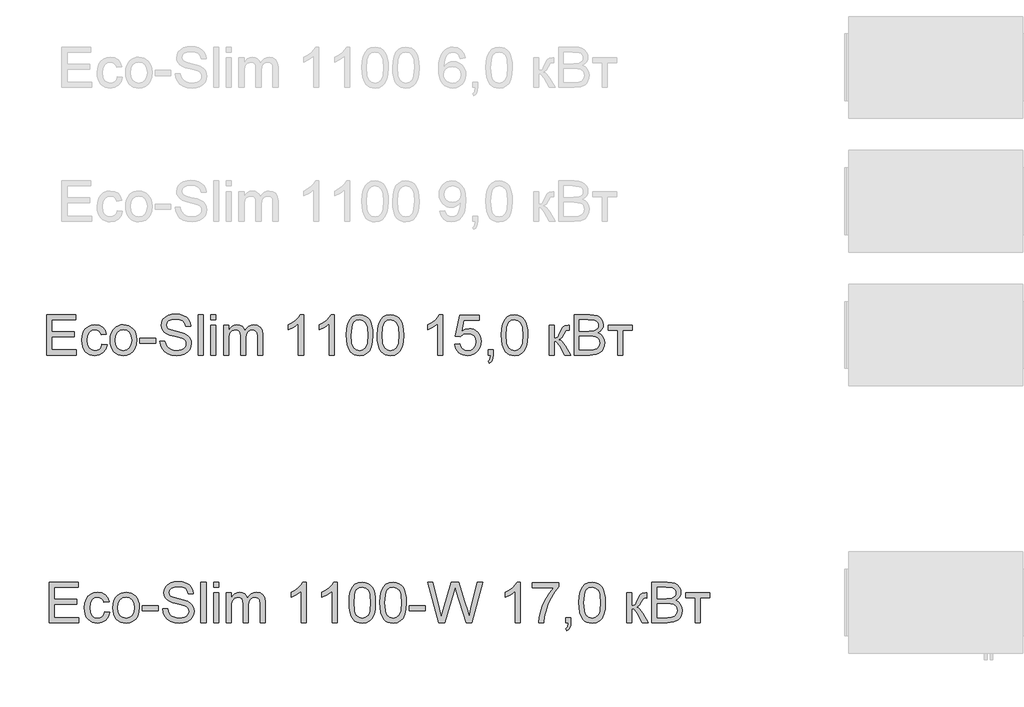
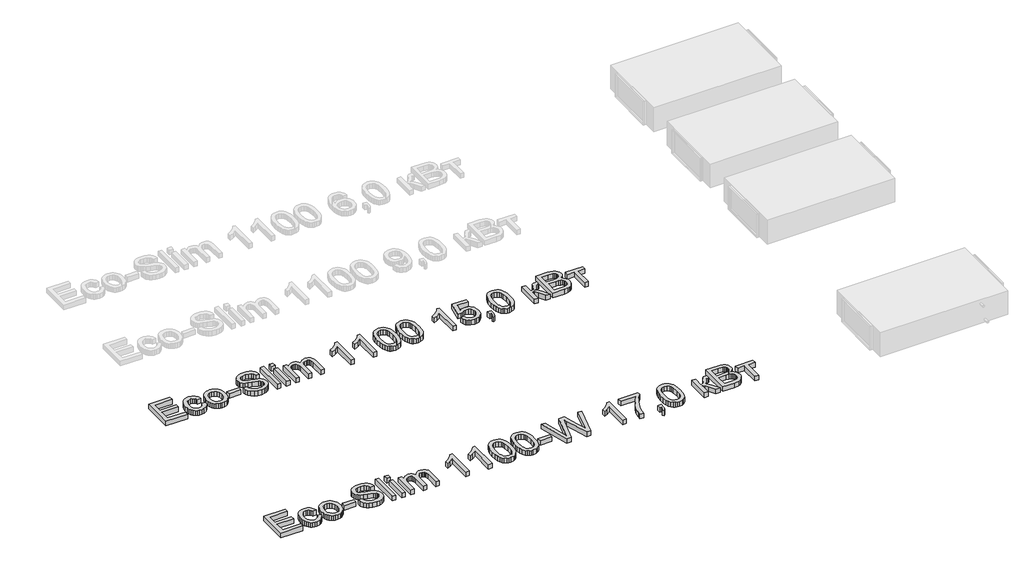
# One storey, part 37 of 74: 2 proxies.
"""IFC4 building model written with IfcOpenShell, lengths in millimetres."""

from ifc_helpers import new_model, si_unit, origin, origin_with_axes, place, context, project, spatial, polyline, outline, extrude, element, save

model = new_model("IFC4")

# Units and contexts
model_context = context("Model", 3, world=origin())
ifc_project = project(units=[si_unit("LENGTHUNIT", "METRE", prefix="MILLI")], contexts=[model_context])

# Site, building, storey
site = spatial("IfcSite", under=ifc_project)
building = spatial("IfcBuilding", under=site)
storey = spatial("IfcBuildingStorey", under=building, Elevation=0.0)

# Proxies
placement = place(None, origin())
element("IfcBuildingElementProxy", 1, Name="Generic Models", at=placement, inside=storey, context=model_context, shape_type="SweptSolid", body=[
    extrude(outline(polyline([(22812.9513996, -12906.2904473), (22812.9513996, -12604.9215169), (23029.5603183, -12604.9215169), (23029.5603183, -12642.5926332), (22850.6225159, -12642.5926332), (22850.6225159, -12732.0615344), (23020.1425392, -12732.0615344), (23020.1425392, -12769.7326507), (22850.6225159, -12769.7326507), (22850.6225159, -12868.619331), (23034.2692079, -12868.619331), (23034.2692079, -12906.2904473), (22812.9513996, -12906.2904473)])), origin_with_axes(), (0.0, 0.0, 1.0), 50.0),
    extrude(outline(polyline([(23227.3336789, -12826.2393252), (23265.0047952, -12830.9482147), (23254.5017643, -12864.4530674), (23234.7648952, -12889.7725458), (23207.6519922, -12905.6926391), (23175.0208592, -12910.9993369), (23153.8929364, -12909.1484306), (23134.9493129, -12903.5957117), (23118.1899887, -12894.3411803), (23103.6149639, -12881.3848363), (23091.8174482, -12864.9704015), (23083.3906513, -12845.3415978), (23078.3345731, -12822.4984252), (23076.6492137, -12796.4408836), (23079.5278903, -12762.9176368), (23088.1639201, -12733.8641562), (23102.695259, -12710.402482), (23123.2598625, -12693.6546541), (23147.8619709, -12683.6114757), (23174.5058244, -12680.2637495), (23206.336814, -12684.8622744), (23231.7850511, -12698.6578493), (23250.0411951, -12720.91471), (23260.2959057, -12750.8970926), (23222.6247894, -12755.6059821), (23215.7913813, -12739.170854), (23205.1503946, -12727.3894331), (23191.2904404, -12720.2985076), (23174.80013, -12717.9348658), (23150.455539, -12722.588573), (23131.1325372, -12736.5496948), (23118.5233818, -12760.5723891), (23114.32033, -12795.410814), (23118.4314113, -12830.7182885), (23130.7646552, -12854.8237562), (23149.7381691, -12868.7021045), (23173.7700604, -12873.3282206), (23193.2770032, -12870.4403469), (23209.270673, -12861.7767259), (23220.9049411, -12847.1166284), (23227.3336789, -12826.2393252)])), origin_with_axes(), (0.0, 0.0, 1.0), 50.0),
    extrude(outline(polyline([(23288.5492429, -12795.6315432), (23290.5863895, -12766.9689372), (23296.6978291, -12742.2702598), (23306.8835619, -12721.5355108), (23321.1435877, -12704.7646904), (23335.5001826, -12694.0455287), (23351.3466995, -12686.3889847), (23368.6831385, -12681.7950583), (23387.5094996, -12680.2637495), (23408.2925331, -12682.1284514), (23427.0844053, -12687.722557), (23443.8851161, -12697.0460663), (23458.6946657, -12710.0989793), (23470.7818885, -12726.4398377), (23479.4156191, -12745.627183), (23484.5958574, -12767.6610152), (23486.3226035, -12792.5413344), (23483.269183, -12830.5987268), (23474.1089213, -12859.569434), (23459.1085329, -12881.2652746), (23438.5347324, -12897.4980677), (23414.0981708, -12907.6240196), (23387.5094996, -12910.9993369), (23366.4229635, -12909.1415328), (23347.4563474, -12903.5681206), (23330.6096513, -12894.2791002), (23315.8828752, -12881.2744717), (23303.9244111, -12864.7749642), (23295.382651, -12845.0013069), (23290.2575949, -12821.9534999), (23288.5492429, -12795.6315432)]), holes=[polyline([(23326.2203592, -12795.5579668), (23330.5797609, -12829.6514307), (23343.6579658, -12853.9408394), (23363.3396525, -12868.4813753), (23387.5094996, -12873.3282206), (23411.5689821, -12868.4537841), (23431.2138806, -12853.8304748), (23444.2920856, -12829.2191694), (23448.6514872, -12794.3807444), (23444.2644944, -12761.2805619), (23431.1035161, -12737.322247), (23411.4310264, -12722.7817111), (23387.5094996, -12717.9348658), (23363.3396525, -12722.763317), (23343.6579658, -12737.2486706), (23330.5797609, -12761.482897), (23326.2203592, -12795.5579668)])]), origin_with_axes(), (0.0, 0.0, 1.0), 50.0),
    extrude(outline(polyline([(23509.8670512, -12816.8215461), (23509.8670512, -12779.1504298), (23627.5892897, -12779.1504298), (23627.5892897, -12816.8215461), (23509.8670512, -12816.8215461)])), origin_with_axes(), (0.0, 0.0, 1.0), 50.0),
    extrude(outline(polyline([(23660.5515164, -12802.6948775), (23698.2226327, -12802.6948775), (23702.5452462, -12823.5997719), (23710.3627386, -12840.402782), (23722.5580267, -12853.7385043), (23740.0140274, -12864.2415353), (23761.3511831, -12871.0565493), (23785.1899364, -12873.3282206), (23806.1776042, -12871.6083722), (23824.5533099, -12866.4488273), (23839.4433336, -12858.281847), (23849.9739558, -12847.5396927), (23856.2371467, -12835.2064488), (23858.324877, -12822.2661996), (23856.7613786, -12809.6570443), (23852.0708831, -12798.7585402), (23842.5427395, -12789.4603227), (23826.4662963, -12781.6520274), (23771.6150908, -12767.2678414), (23735.6086405, -12757.7488947), (23712.5700306, -12748.6898006), (23693.8172459, -12736.0162659), (23680.5275088, -12720.6571926), (23672.6088488, -12702.9436745), (23669.9692955, -12683.2068055), (23673.2342482, -12661.1430828), (23683.0291063, -12640.5692822), (23699.0963525, -12623.1316757), (23721.1784692, -12610.476535), (23747.684367, -12602.7786043), (23777.0229561, -12600.2126274), (23808.8079605, -12602.8981659), (23836.6198393, -12610.9547816), (23859.4653112, -12624.2169275), (23876.3510948, -12642.5190568), (23887.0380668, -12664.7207352), (23891.2871038, -12689.6815286), (23853.6159875, -12689.6815286), (23846.699806, -12667.2039387), (23832.2788318, -12650.9803427), (23809.7460596, -12641.1578934), (23778.4944841, -12637.8837437), (23746.5071446, -12641.1211052), (23724.5629836, -12650.8331899), (23711.8710548, -12665.1254054), (23707.6404118, -12682.1031595), (23710.6386501, -12696.579316), (23719.6333649, -12708.2227811), (23740.8969442, -12718.6338416), (23781.1432345, -12729.2656313), (23822.6771117, -12739.363992), (23847.803452, -12748.1747658), (23869.2785635, -12761.8415819), (23884.2605577, -12778.7089714), (23893.0621344, -12798.5929933), (23895.9959934, -12821.3097065), (23892.620676, -12844.5322574), (23882.4947241, -12866.3752509), (23866.0320048, -12885.1740208), (23843.6463854, -12899.2639012), (23816.7266204, -12908.065478), (23786.6614644, -12910.9993369), (23749.7537032, -12907.8355517), (23719.3758475, -12898.3441962), (23695.1784092, -12882.4884823), (23676.8119006, -12860.2316215), (23665.0212827, -12833.1187185), (23660.5515164, -12802.6948775)])), origin_with_axes(), (0.0, 0.0, 1.0), 50.0),
    extrude(outline(polyline([(23947.7937783, -12906.2904473), (23947.7937783, -12604.9215169), (23985.4648946, -12604.9215169), (23985.4648946, -12906.2904473), (23947.7937783, -12906.2904473)])), origin_with_axes(), (0.0, 0.0, 1.0), 50.0),
    extrude(outline(polyline([(24041.971569, -12642.5926332), (24041.971569, -12604.9215169), (24079.6426853, -12604.9215169), (24079.6426853, -12642.5926332), (24041.971569, -12642.5926332)])), origin_with_axes(), (0.0, 0.0, 1.0), 50.0),
    extrude(outline(polyline([(24041.971569, -12906.2904473), (24041.971569, -12684.972639), (24079.6426853, -12684.972639), (24079.6426853, -12906.2904473), (24041.971569, -12906.2904473)])), origin_with_axes(), (0.0, 0.0, 1.0), 50.0),
    extrude(outline(polyline([(24136.1493598, -12906.2904473), (24136.1493598, -12684.972639), (24173.8204761, -12684.972639), (24173.8204761, -12721.3929566), (24185.1512416, -12704.6635228), (24199.7193686, -12691.5577268), (24217.0282164, -12683.0872438), (24236.5811445, -12680.2637495), (24257.5320241, -12683.1424261), (24274.3258372, -12691.778456), (24286.8706132, -12705.6016219), (24295.0743817, -12724.0417069), (24308.8055772, -12704.8888506), (24324.4681531, -12691.2082389), (24342.0621096, -12682.9998718), (24361.5874465, -12680.2637495), (24389.905163, -12684.8162892), (24410.8468456, -12698.4739083), (24423.7870948, -12721.6044887), (24428.1005112, -12754.5759125), (24428.1005112, -12906.2904473), (24390.4293949, -12906.2904473), (24390.4293949, -12770.7627203), (24386.9345159, -12739.3088097), (24382.0232913, -12730.6359917), (24374.2793753, -12723.8209777), (24364.3189703, -12719.4063938), (24352.7582786, -12717.9348658), (24332.3500249, -12721.7056563), (24315.7125617, -12733.0180276), (24304.6485106, -12752.6445321), (24300.9604936, -12781.3577218), (24300.9604936, -12906.2904473), (24263.2893773, -12906.2904473), (24263.2893773, -12766.5688656), (24261.1096765, -12745.2684981), (24254.5705741, -12730.0749717), (24243.0650647, -12720.9698923), (24225.986143, -12717.9348658), (24211.4731983, -12719.9582168), (24198.1006878, -12726.0282697), (24187.0642279, -12735.9978718), (24179.5594352, -12749.7198702), (24175.2552159, -12768.7577634), (24173.8204761, -12794.67505), (24173.8204761, -12906.2904473), (24136.1493598, -12906.2904473)])), origin_with_axes(), (0.0, 0.0, 1.0), 50.0),
    extrude(outline(polyline([(24734.1783312, -12906.2904473), (24696.5072149, -12906.2904473), (24696.5072149, -12671.4345816), (24660.8226613, -12696.8552275), (24621.1649822, -12715.8747266), (24621.1649822, -12680.2637495), (24650.7518917, -12664.1689122), (24676.3840697, -12645.0206544), (24696.5899883, -12624.6583859), (24709.8981195, -12604.9215169), (24734.1783312, -12604.9215169), (24734.1783312, -12906.2904473)])), origin_with_axes(), (0.0, 0.0, 1.0), 50.0),
    extrude(outline(polyline([(24964.9139185, -12906.2904473), (24927.2428022, -12906.2904473), (24927.2428022, -12671.4345816), (24891.5582487, -12696.8552275), (24851.9005696, -12715.8747266), (24851.9005696, -12680.2637495), (24881.4874791, -12664.1689122), (24907.1196571, -12645.0206544), (24927.3255757, -12624.6583859), (24940.6337069, -12604.9215169), (24964.9139185, -12604.9215169), (24964.9139185, -12906.2904473)])), origin_with_axes(), (0.0, 0.0, 1.0), 50.0),
    extrude(outline(polyline([(25054.3828198, -12758.0340033), (25057.1511318, -12709.7954767), (25065.4560678, -12671.324217), (25079.2148544, -12642.0316132), (25098.3447182, -12621.3290539), (25122.9836148, -12609.0234011), (25153.2695001, -12604.9215169), (25176.482854, -12607.3495381), (25197.2681867, -12614.6336016), (25214.650611, -12626.4885989), (25227.6552395, -12642.6294214), (25237.4776888, -12662.9181134), (25245.3135753, -12687.2167192), (25250.4455291, -12718.0728216), (25252.1561804, -12758.0340033), (25249.4154595, -12805.9966184), (25241.1932969, -12844.3759076), (25227.5172837, -12873.6961026), (25208.4150111, -12894.4814353), (25183.7209322, -12906.8698615), (25153.2695001, -12910.9993369), (25132.5209555, -12909.2059122), (25114.1268558, -12903.825638), (25098.0872008, -12894.8585143), (25084.4019906, -12882.3045413), (25071.2686033, -12859.6108207), (25061.8876125, -12831.3344908), (25056.2590179, -12797.4755517), (25054.3828198, -12758.0340033)]), holes=[polyline([(25092.0539361, -12757.9604269), (25096.46852, -12817.2170193), (25101.9867499, -12837.4850179), (25109.7122718, -12851.5128183), (25129.4307468, -12867.87437), (25153.2695001, -12873.3282206), (25177.1082534, -12867.8559759), (25196.8267283, -12851.4392419), (25204.5522502, -12837.3884489), (25210.0704801, -12817.1250488), (25214.4850641, -12757.9604269), (25210.2176329, -12700.0374067), (25204.883344, -12679.8360867), (25197.4153395, -12665.4748933), (25177.7336528, -12648.3131982), (25152.8280417, -12642.5926332), (25129.2468058, -12647.6326165), (25110.300883, -12662.7525665), (25102.3178437, -12678.3875513), (25096.6156728, -12699.4671897), (25092.0539361, -12757.9604269)])]), origin_with_axes(), (0.0, 0.0, 1.0), 50.0),
    extrude(outline(polyline([(25285.1184071, -12758.0340033), (25287.8867192, -12709.7954767), (25296.1916552, -12671.324217), (25309.9504418, -12642.0316132), (25329.0803056, -12621.3290539), (25353.7192022, -12609.0234011), (25384.0050874, -12604.9215169), (25407.2184413, -12607.3495381), (25428.0037741, -12614.6336016), (25445.3861983, -12626.4885989), (25458.3908269, -12642.6294214), (25468.2132761, -12662.9181134), (25476.0491626, -12687.2167192), (25481.1811165, -12718.0728216), (25482.8917678, -12758.0340033), (25480.1510469, -12805.9966184), (25471.9288843, -12844.3759076), (25458.2528711, -12873.6961026), (25439.1505985, -12894.4814353), (25414.4565196, -12906.8698615), (25384.0050874, -12910.9993369), (25363.2565429, -12909.2059122), (25344.8624432, -12903.825638), (25328.8227882, -12894.8585143), (25315.1375779, -12882.3045413), (25302.0041907, -12859.6108207), (25292.6231998, -12831.3344908), (25286.9946053, -12797.4755517), (25285.1184071, -12758.0340033)]), holes=[polyline([(25322.7895234, -12757.9604269), (25327.2041074, -12817.2170193), (25332.7223373, -12837.4850179), (25340.4478592, -12851.5128183), (25360.1663342, -12867.87437), (25384.0050874, -12873.3282206), (25407.8438407, -12867.8559759), (25427.5623157, -12851.4392419), (25435.2878376, -12837.3884489), (25440.8060675, -12817.1250488), (25445.2206514, -12757.9604269), (25440.9532203, -12700.0374067), (25435.6189314, -12679.8360867), (25428.1509269, -12665.4748933), (25408.4692401, -12648.3131982), (25383.5636291, -12642.5926332), (25359.9823932, -12647.6326165), (25341.0364704, -12662.7525665), (25333.0534311, -12678.3875513), (25327.3512602, -12699.4671897), (25322.7895234, -12757.9604269)])]), origin_with_axes(), (0.0, 0.0, 1.0), 50.0),
    extrude(outline(polyline([(25774.8429191, -12906.2904473), (25737.1718028, -12906.2904473), (25737.1718028, -12671.4345816), (25701.4872493, -12696.8552275), (25661.8295702, -12715.8747266), (25661.8295702, -12680.2637495), (25691.4164797, -12664.1689122), (25717.0486577, -12645.0206544), (25737.2545763, -12624.6583859), (25750.5627074, -12604.9215169), (25774.8429191, -12604.9215169), (25774.8429191, -12906.2904473)])), origin_with_axes(), (0.0, 0.0, 1.0), 50.0),
    extrude(outline(polyline([(25864.3118203, -12826.2393252), (25901.9829367, -12821.5304357), (25908.8991182, -12844.1459813), (25920.9656476, -12860.3419861), (25938.1273427, -12870.081662), (25960.3290211, -12873.3282206), (25987.3315595, -12868.8124691), (26007.5650693, -12855.2652146), (26020.2018158, -12834.2499556), (26024.4140647, -12807.3301906), (26020.4685303, -12781.9831212), (26008.6319271, -12762.59574), (25988.8122846, -12750.2900873), (25960.9176323, -12746.188203), (25942.6430942, -12747.8252779), (25927.8450409, -12752.7365026), (25906.6918262, -12769.7326507), (25869.0207099, -12765.0237612), (25901.9829367, -12609.6304064), (26047.9585123, -12609.6304064), (26047.9585123, -12647.3015227), (25932.4435659, -12647.3015227), (25916.3303345, -12730.2957008), (25943.2409024, -12713.9617403), (25971.4390573, -12708.5170867), (25989.7848726, -12710.2047454), (26006.6361672, -12715.2677213), (26021.9929413, -12723.7060146), (26035.8551947, -12735.5196252), (26047.3308137, -12749.9865846), (26055.5276844, -12766.3849246), (26060.4458068, -12784.714645), (26062.085181, -12804.9757459), (26056.1806749, -12842.6468622), (26048.8000424, -12859.4406753), (26038.4671569, -12874.873325), (26022.813778, -12890.6784552), (26004.5484369, -12901.9678339), (25983.6711337, -12908.7414611), (25960.1818683, -12910.9993369), (25923.1821366, -12905.1959984), (25907.5034658, -12897.9418253), (25893.7055918, -12887.785983), (25882.2253743, -12875.2343092), (25873.4996732, -12860.7926416), (25864.3118203, -12826.2393252)])), origin_with_axes(), (0.0, 0.0, 1.0), 50.0),
    extrude(outline(polyline([(26113.8829659, -12906.2904473), (26113.8829659, -12868.619331), (26151.5540822, -12868.619331), (26151.5540822, -12906.2904473), (26149.861825, -12927.8391352), (26144.7850535, -12944.8076922), (26136.029462, -12957.8215178), (26123.300745, -12967.5060113), (26113.8829659, -12953.3793427), (26122.0499462, -12946.5551317), (26127.7153289, -12937.1189585), (26132.6449476, -12906.2904473), (26113.8829659, -12906.2904473)])), origin_with_axes(), (0.0, 0.0, 1.0), 50.0),
    extrude(outline(polyline([(26212.7696462, -12758.0340033), (26215.5379582, -12709.7954767), (26223.8428942, -12671.324217), (26237.6016809, -12642.0316132), (26256.7315446, -12621.3290539), (26281.3704412, -12609.0234011), (26311.6563265, -12604.9215169), (26334.8696804, -12607.3495381), (26355.6550131, -12614.6336016), (26373.0374374, -12626.4885989), (26386.0420659, -12642.6294214), (26395.8645152, -12662.9181134), (26403.7004017, -12687.2167192), (26408.8323555, -12718.0728216), (26410.5430068, -12758.0340033), (26407.8022859, -12805.9966184), (26399.5801233, -12844.3759076), (26385.9041102, -12873.6961026), (26366.8018376, -12894.4814353), (26342.1077586, -12906.8698615), (26311.6563265, -12910.9993369), (26290.907782, -12909.2059122), (26272.5136822, -12903.825638), (26256.4740272, -12894.8585143), (26242.788817, -12882.3045413), (26229.6554298, -12859.6108207), (26220.2744389, -12831.3344908), (26214.6458444, -12797.4755517), (26212.7696462, -12758.0340033)]), holes=[polyline([(26250.4407625, -12757.9604269), (26254.8553464, -12817.2170193), (26260.3735764, -12837.4850179), (26268.0990983, -12851.5128183), (26287.8175732, -12867.87437), (26311.6563265, -12873.3282206), (26335.4950798, -12867.8559759), (26355.2135547, -12851.4392419), (26362.9390766, -12837.3884489), (26368.4573065, -12817.1250488), (26372.8718905, -12757.9604269), (26368.6044593, -12700.0374067), (26363.2701704, -12679.8360867), (26355.8021659, -12665.4748933), (26336.1204792, -12648.3131982), (26311.2148681, -12642.5926332), (26287.6336322, -12647.6326165), (26268.6877094, -12662.7525665), (26260.7046702, -12678.3875513), (26255.0024992, -12699.4671897), (26250.4407625, -12757.9604269)])]), origin_with_axes(), (0.0, 0.0, 1.0), 50.0),
    extrude(outline(polyline([(26570.6452511, -12684.972639), (26608.3163674, -12684.972639), (26608.3163674, -12779.1504298), (26623.6386525, -12777.4581726), (26633.5530723, -12772.3814011), (26642.3270578, -12759.1376493), (26654.2280404, -12732.9444512), (26671.4081296, -12698.9153667), (26686.5648678, -12687.8421186), (26714.1192292, -12684.972639), (26721.3297163, -12684.972639), (26721.3297163, -12722.8644845), (26711.1761732, -12722.6437553), (26692.7820735, -12726.6168809), (26679.8326273, -12751.4121274), (26664.6391009, -12778.2307248), (26643.3387333, -12791.364112), (26655.2765041, -12796.6662113), (26667.1039102, -12806.0242096), (26690.4276287, -12836.907903), (26730.7474954, -12906.2904473), (26687.9260312, -12906.2904473), (26648.4155049, -12838.379431), (26628.5498771, -12809.6478472), (26619.2608568, -12804.4331199), (26608.3163674, -12802.6948775), (26608.3163674, -12906.2904473), (26570.6452511, -12906.2904473), (26570.6452511, -12684.972639)])), origin_with_axes(), (0.0, 0.0, 1.0), 50.0),
    extrude(outline(polyline([(26759.0008326, -12906.2904473), (26759.0008326, -12604.9215169), (26874.0007443, -12604.9215169), (26905.6293988, -12607.1380059), (26930.3234778, -12613.787473), (26949.2510064, -12625.035465), (26963.5800101, -12641.0475288), (26972.6023161, -12659.883087), (26975.6097514, -12679.6015619), (26973.0805627, -12697.7473413), (26965.4929965, -12714.8078689), (26952.7918706, -12729.7346808), (26934.9220027, -12741.4793135), (26956.2683555, -12752.626138), (26972.041296, -12769.5854979), (26981.7809718, -12791.2353533), (26985.0275305, -12816.4536641), (26982.8110414, -12837.4689231), (26976.1615744, -12856.9574718), (26966.2379576, -12873.5305557), (26954.1990193, -12885.7994202), (26939.4561483, -12894.6837704), (26921.4207335, -12901.1033112), (26873.1178275, -12906.2904473), (26759.0008326, -12906.2904473)]), holes=[polyline([(26796.6719489, -12727.3526449), (26865.465882, -12727.3526449), (26905.6385959, -12724.1152833), (26919.7008852, -12718.5326741), (26929.808443, -12710.1725557), (26935.9060871, -12699.163687), (26937.9386351, -12685.6348266), (26936.0440428, -12672.5014394), (26930.360266, -12661.0603094), (26921.144822, -12652.1299739), (26908.6552283, -12646.5289705), (26860.2419577, -12642.5926332), (26796.6719489, -12642.5926332), (26796.6719489, -12727.3526449)]), polyline([(26796.6719489, -12868.619331), (26873.9271679, -12868.619331), (26901.8861995, -12867.1478031), (26925.5410118, -12858.9440346), (26941.2127848, -12842.2054038), (26945.8205068, -12830.3779976), (26947.3564142, -12816.8215461), (26945.5537924, -12801.0761967), (26940.145927, -12787.5381393), (26930.7005568, -12776.9523349), (26916.7854204, -12770.0637445), (26897.0761425, -12766.283757), (26870.248348, -12765.0237612), (26796.6719489, -12765.0237612), (26796.6719489, -12868.619331)])]), origin_with_axes(), (0.0, 0.0, 1.0), 50.0),
    extrude(outline(polyline([(27013.2808677, -12684.972639), (27192.2186701, -12684.972639), (27192.2186701, -12722.6437553), (27121.5853271, -12722.6437553), (27121.5853271, -12906.2904473), (27083.9142108, -12906.2904473), (27083.9142108, -12722.6437553), (27013.2808677, -12722.6437553), (27013.2808677, -12684.972639)])), origin_with_axes(), (0.0, 0.0, 1.0), 50.0),
])
element("IfcBuildingElementProxy", 2, Name="Generic Models", at=placement, inside=storey, context=model_context, shape_type="SweptSolid", body=[
    extrude(outline(polyline([(22832.772472, -14906.2904473), (22832.772472, -14604.9215169), (23049.3813908, -14604.9215169), (23049.3813908, -14642.5926332), (22870.4435883, -14642.5926332), (22870.4435883, -14732.0615344), (23039.9636117, -14732.0615344), (23039.9636117, -14769.7326507), (22870.4435883, -14769.7326507), (22870.4435883, -14868.619331), (23054.0902803, -14868.619331), (23054.0902803, -14906.2904473), (22832.772472, -14906.2904473)])), origin_with_axes(), (0.0, 0.0, 1.0), 50.0),
    extrude(outline(polyline([(23247.1547514, -14826.2393252), (23284.8258677, -14830.9482147), (23274.3228367, -14864.4530674), (23254.5859677, -14889.7725458), (23227.4730647, -14905.6926391), (23194.8419317, -14910.9993369), (23173.7140088, -14909.1484306), (23154.7703854, -14903.5957117), (23138.0110612, -14894.3411803), (23123.4360364, -14881.3848363), (23111.6385207, -14864.9704015), (23103.2117237, -14845.3415978), (23098.1556456, -14822.4984252), (23096.4702862, -14796.4408836), (23099.3489628, -14762.9176368), (23107.9849926, -14733.8641562), (23122.5163314, -14710.402482), (23143.080935, -14693.6546541), (23167.6830434, -14683.6114757), (23194.3268969, -14680.2637495), (23226.1578865, -14684.8622744), (23251.6061235, -14698.6578493), (23269.8622675, -14720.91471), (23280.1169782, -14750.8970926), (23242.4458619, -14755.6059821), (23235.6124538, -14739.170854), (23224.9714671, -14727.3894331), (23211.1115129, -14720.2985076), (23194.6212025, -14717.9348658), (23170.2766115, -14722.588573), (23150.9536097, -14736.5496948), (23138.3444543, -14760.5723891), (23134.1414025, -14795.410814), (23138.2524838, -14830.7182885), (23150.5857277, -14854.8237562), (23169.5592416, -14868.7021045), (23193.5911329, -14873.3282206), (23213.0980757, -14870.4403469), (23229.0917454, -14861.7767259), (23240.7260135, -14847.1166284), (23247.1547514, -14826.2393252)])), origin_with_axes(), (0.0, 0.0, 1.0), 50.0),
    extrude(outline(polyline([(23308.3703154, -14795.6315432), (23310.4074619, -14766.9689372), (23316.5189016, -14742.2702598), (23326.7046343, -14721.5355108), (23340.9646602, -14704.7646904), (23355.321255, -14694.0455287), (23371.167772, -14686.3889847), (23388.504211, -14681.7950583), (23407.3305721, -14680.2637495), (23428.1136056, -14682.1284514), (23446.9054777, -14687.722557), (23463.7061886, -14697.0460663), (23478.5157382, -14710.0989793), (23490.602961, -14726.4398377), (23499.2366915, -14745.627183), (23504.4169299, -14767.6610152), (23506.143676, -14792.5413344), (23503.0902554, -14830.5987268), (23493.9299938, -14859.569434), (23478.9296054, -14881.2652746), (23458.3558048, -14897.4980677), (23433.9192433, -14907.6240196), (23407.3305721, -14910.9993369), (23386.244036, -14909.1415328), (23367.2774199, -14903.5681206), (23350.4307238, -14894.2791002), (23335.7039476, -14881.2744717), (23323.7454835, -14864.7749642), (23315.2037235, -14845.0013069), (23310.0786674, -14821.9534999), (23308.3703154, -14795.6315432)]), holes=[polyline([(23346.0414317, -14795.5579668), (23350.4008333, -14829.6514307), (23363.4790383, -14853.9408394), (23383.160725, -14868.4813753), (23407.3305721, -14873.3282206), (23431.3900546, -14868.4537841), (23451.0349531, -14853.8304748), (23464.1131581, -14829.2191694), (23468.4725597, -14794.3807444), (23464.0855669, -14761.2805619), (23450.9245885, -14737.322247), (23431.2520988, -14722.7817111), (23407.3305721, -14717.9348658), (23383.160725, -14722.763317), (23363.4790383, -14737.2486706), (23350.4008333, -14761.482897), (23346.0414317, -14795.5579668)])]), origin_with_axes(), (0.0, 0.0, 1.0), 50.0),
    extrude(outline(polyline([(23529.6881237, -14816.8215461), (23529.6881237, -14779.1504298), (23647.4103621, -14779.1504298), (23647.4103621, -14816.8215461), (23529.6881237, -14816.8215461)])), origin_with_axes(), (0.0, 0.0, 1.0), 50.0),
    extrude(outline(polyline([(23680.3725889, -14802.6948775), (23718.0437052, -14802.6948775), (23722.3663187, -14823.5997719), (23730.1838111, -14840.402782), (23742.3790992, -14853.7385043), (23759.8350999, -14864.2415353), (23781.1722556, -14871.0565493), (23805.0110089, -14873.3282206), (23825.9986767, -14871.6083722), (23844.3743824, -14866.4488273), (23859.2644061, -14858.281847), (23869.7950282, -14847.5396927), (23876.0582192, -14835.2064488), (23878.1459495, -14822.2661996), (23876.582451, -14809.6570443), (23871.8919556, -14798.7585402), (23862.3638119, -14789.4603227), (23846.2873687, -14781.6520274), (23791.4361633, -14767.2678414), (23755.429713, -14757.7488947), (23732.391103, -14748.6898006), (23713.6383183, -14736.0162659), (23700.3485813, -14720.6571926), (23692.4299213, -14702.9436745), (23689.790368, -14683.2068055), (23693.0553207, -14661.1430828), (23702.8501788, -14640.5692822), (23718.917425, -14623.1316757), (23740.9995417, -14610.476535), (23767.5054395, -14602.7786043), (23796.8440286, -14600.2126274), (23828.629033, -14602.8981659), (23856.4409118, -14610.9547816), (23879.2863837, -14624.2169275), (23896.1721673, -14642.5190568), (23906.8591392, -14664.7207352), (23911.1081763, -14689.6815286), (23873.43706, -14689.6815286), (23866.5208785, -14667.2039387), (23852.0999043, -14650.9803427), (23829.5671321, -14641.1578934), (23798.3155566, -14637.8837437), (23766.3282171, -14641.1211052), (23744.3840561, -14650.8331899), (23731.6921272, -14665.1254054), (23727.4614843, -14682.1031595), (23730.4597226, -14696.579316), (23739.4544373, -14708.2227811), (23760.7180167, -14718.6338416), (23800.9643069, -14729.2656313), (23842.4981842, -14739.363992), (23867.6245245, -14748.1747658), (23889.0996359, -14761.8415819), (23904.0816302, -14778.7089714), (23912.8832069, -14798.5929933), (23915.8170658, -14821.3097065), (23912.4417485, -14844.5322574), (23902.3157966, -14866.3752509), (23885.8530773, -14885.1740208), (23863.4674579, -14899.2639012), (23836.5476929, -14908.065478), (23806.4825369, -14910.9993369), (23769.5747757, -14907.8355517), (23739.1969199, -14898.3441962), (23714.9994817, -14882.4884823), (23696.6329731, -14860.2316215), (23684.8423552, -14833.1187185), (23680.3725889, -14802.6948775)])), origin_with_axes(), (0.0, 0.0, 1.0), 50.0),
    extrude(outline(polyline([(23967.6148507, -14906.2904473), (23967.6148507, -14604.9215169), (24005.2859671, -14604.9215169), (24005.2859671, -14906.2904473), (23967.6148507, -14906.2904473)])), origin_with_axes(), (0.0, 0.0, 1.0), 50.0),
    extrude(outline(polyline([(24061.7926415, -14642.5926332), (24061.7926415, -14604.9215169), (24099.4637578, -14604.9215169), (24099.4637578, -14642.5926332), (24061.7926415, -14642.5926332)])), origin_with_axes(), (0.0, 0.0, 1.0), 50.0),
    extrude(outline(polyline([(24061.7926415, -14906.2904473), (24061.7926415, -14684.972639), (24099.4637578, -14684.972639), (24099.4637578, -14906.2904473), (24061.7926415, -14906.2904473)])), origin_with_axes(), (0.0, 0.0, 1.0), 50.0),
    extrude(outline(polyline([(24155.9704323, -14906.2904473), (24155.9704323, -14684.972639), (24193.6415486, -14684.972639), (24193.6415486, -14721.3929566), (24204.972314, -14704.6635228), (24219.540441, -14691.5577268), (24236.8492889, -14683.0872438), (24256.402217, -14680.2637495), (24277.3530966, -14683.1424261), (24294.1469097, -14691.778456), (24306.6916857, -14705.6016219), (24314.8954542, -14724.0417069), (24328.6266497, -14704.8888506), (24344.2892256, -14691.2082389), (24361.883182, -14682.9998718), (24381.4085189, -14680.2637495), (24409.7262355, -14684.8162892), (24430.6679181, -14698.4739083), (24443.6081673, -14721.6044887), (24447.9215837, -14754.5759125), (24447.9215837, -14906.2904473), (24410.2504673, -14906.2904473), (24410.2504673, -14770.7627203), (24406.7555884, -14739.3088097), (24401.8443638, -14730.6359917), (24394.1004478, -14723.8209777), (24384.1400427, -14719.4063938), (24372.579351, -14717.9348658), (24352.1710974, -14721.7056563), (24335.5336341, -14733.0180276), (24324.4695831, -14752.6445321), (24320.7815661, -14781.3577218), (24320.7815661, -14906.2904473), (24283.1104498, -14906.2904473), (24283.1104498, -14766.5688656), (24280.930749, -14745.2684981), (24274.3916465, -14730.0749717), (24262.8861371, -14720.9698923), (24245.8072155, -14717.9348658), (24231.2942708, -14719.9582168), (24217.9217603, -14726.0282697), (24206.8853004, -14735.9978718), (24199.3805077, -14749.7198702), (24195.0762884, -14768.7577634), (24193.6415486, -14794.67505), (24193.6415486, -14906.2904473), (24155.9704323, -14906.2904473)])), origin_with_axes(), (0.0, 0.0, 1.0), 50.0),
    extrude(outline(polyline([(24753.9994036, -14906.2904473), (24716.3282873, -14906.2904473), (24716.3282873, -14671.4345816), (24680.6437338, -14696.8552275), (24640.9860547, -14715.8747266), (24640.9860547, -14680.2637495), (24670.5729642, -14664.1689122), (24696.2051422, -14645.0206544), (24716.4110608, -14624.6583859), (24729.719192, -14604.9215169), (24753.9994036, -14604.9215169), (24753.9994036, -14906.2904473)])), origin_with_axes(), (0.0, 0.0, 1.0), 50.0),
    extrude(outline(polyline([(24984.734991, -14906.2904473), (24947.0638747, -14906.2904473), (24947.0638747, -14671.4345816), (24911.3793212, -14696.8552275), (24871.7216421, -14715.8747266), (24871.7216421, -14680.2637495), (24901.3085516, -14664.1689122), (24926.9407296, -14645.0206544), (24947.1466482, -14624.6583859), (24960.4547793, -14604.9215169), (24984.734991, -14604.9215169), (24984.734991, -14906.2904473)])), origin_with_axes(), (0.0, 0.0, 1.0), 50.0),
    extrude(outline(polyline([(25074.2038922, -14758.0340033), (25076.9722043, -14709.7954767), (25085.2771403, -14671.324217), (25099.0359269, -14642.0316132), (25118.1657907, -14621.3290539), (25142.8046873, -14609.0234011), (25173.0905725, -14604.9215169), (25196.3039264, -14607.3495381), (25217.0892592, -14614.6336016), (25234.4716834, -14626.4885989), (25247.476312, -14642.6294214), (25257.2987612, -14662.9181134), (25265.1346477, -14687.2167192), (25270.2666016, -14718.0728216), (25271.9772528, -14758.0340033), (25269.236532, -14805.9966184), (25261.0143694, -14844.3759076), (25247.3383562, -14873.6961026), (25228.2360836, -14894.4814353), (25203.5420047, -14906.8698615), (25173.0905725, -14910.9993369), (25152.342028, -14909.2059122), (25133.9479283, -14903.825638), (25117.9082733, -14894.8585143), (25104.223063, -14882.3045413), (25091.0896758, -14859.6108207), (25081.7086849, -14831.3344908), (25076.0800904, -14797.4755517), (25074.2038922, -14758.0340033)]), holes=[polyline([(25111.8750085, -14757.9604269), (25116.2895925, -14817.2170193), (25121.8078224, -14837.4850179), (25129.5333443, -14851.5128183), (25149.2518193, -14867.87437), (25173.0905725, -14873.3282206), (25196.9293258, -14867.8559759), (25216.6478008, -14851.4392419), (25224.3733227, -14837.3884489), (25229.8915526, -14817.1250488), (25234.3061365, -14757.9604269), (25230.0387054, -14700.0374067), (25224.7044165, -14679.8360867), (25217.236412, -14665.4748933), (25197.5547252, -14648.3131982), (25172.6491142, -14642.5926332), (25149.0678783, -14647.6326165), (25130.1219555, -14662.7525665), (25122.1389162, -14678.3875513), (25116.4367453, -14699.4671897), (25111.8750085, -14757.9604269)])]), origin_with_axes(), (0.0, 0.0, 1.0), 50.0),
    extrude(outline(polyline([(25304.9394796, -14758.0340033), (25307.7077916, -14709.7954767), (25316.0127277, -14671.324217), (25329.7715143, -14642.0316132), (25348.901378, -14621.3290539), (25373.5402747, -14609.0234011), (25403.8261599, -14604.9215169), (25427.0395138, -14607.3495381), (25447.8248465, -14614.6336016), (25465.2072708, -14626.4885989), (25478.2118993, -14642.6294214), (25488.0343486, -14662.9181134), (25495.8702351, -14687.2167192), (25501.0021889, -14718.0728216), (25502.7128402, -14758.0340033), (25499.9721194, -14805.9966184), (25491.7499568, -14844.3759076), (25478.0739436, -14873.6961026), (25458.971671, -14894.4814353), (25434.2775921, -14906.8698615), (25403.8261599, -14910.9993369), (25383.0776154, -14909.2059122), (25364.6835156, -14903.825638), (25348.6438606, -14894.8585143), (25334.9586504, -14882.3045413), (25321.8252632, -14859.6108207), (25312.4442723, -14831.3344908), (25306.8156778, -14797.4755517), (25304.9394796, -14758.0340033)]), holes=[polyline([(25342.6105959, -14757.9604269), (25347.0251799, -14817.2170193), (25352.5434098, -14837.4850179), (25360.2689317, -14851.5128183), (25379.9874066, -14867.87437), (25403.8261599, -14873.3282206), (25427.6649132, -14867.8559759), (25447.3833881, -14851.4392419), (25455.10891, -14837.3884489), (25460.62714, -14817.1250488), (25465.0417239, -14757.9604269), (25460.7742928, -14700.0374067), (25455.4400038, -14679.8360867), (25447.9719993, -14665.4748933), (25428.2903126, -14648.3131982), (25403.3847015, -14642.5926332), (25379.8034656, -14647.6326165), (25360.8575429, -14662.7525665), (25352.8745036, -14678.3875513), (25347.1723327, -14699.4671897), (25342.6105959, -14757.9604269)])]), origin_with_axes(), (0.0, 0.0, 1.0), 50.0),
    extrude(outline(polyline([(25526.2572879, -14816.8215461), (25526.2572879, -14779.1504298), (25643.9795264, -14779.1504298), (25643.9795264, -14816.8215461), (25526.2572879, -14816.8215461)])), origin_with_axes(), (0.0, 0.0, 1.0), 50.0),
    extrude(outline(polyline([(25744.9999222, -14906.2904473), (25662.8150845, -14604.9215169), (25701.6634232, -14604.9215169), (25749.3409298, -14802.9891831), (25764.0562096, -14864.1311707), (25779.801559, -14810.0525174), (25839.545595, -14604.9215169), (25895.5372347, -14604.9215169), (25938.9473101, -14753.6194193), (25957.543745, -14808.8017186), (25971.2473493, -14864.1311707), (25985.5211707, -14804.7550167), (26033.6401357, -14604.9215169), (26072.4884744, -14604.9215169), (25990.2300602, -14906.2904473), (25949.98377, -14906.2904473), (25877.7317461, -14673.7890264), (25867.6517794, -14641.3418344), (25856.321014, -14680.4109023), (25790.4701369, -14906.2904473), (25744.9999222, -14906.2904473)])), origin_with_axes(), (0.0, 0.0, 1.0), 50.0),
    extrude(outline(polyline([(26355.0218466, -14906.2904473), (26317.3507303, -14906.2904473), (26317.3507303, -14671.4345816), (26281.6661768, -14696.8552275), (26242.0084977, -14715.8747266), (26242.0084977, -14680.2637495), (26271.5954072, -14664.1689122), (26297.2275852, -14645.0206544), (26317.4335038, -14624.6583859), (26330.741635, -14604.9215169), (26355.0218466, -14604.9215169), (26355.0218466, -14906.2904473)])), origin_with_axes(), (0.0, 0.0, 1.0), 50.0),
    extrude(outline(polyline([(26444.4907479, -14647.3015227), (26444.4907479, -14609.6304064), (26642.2641085, -14609.6304064), (26642.2641085, -14640.0910356), (26614.0751506, -14675.7663921), (26586.1621042, -14721.1354392), (26561.5416017, -14772.0595044), (26543.2302754, -14824.3999152), (26534.2539547, -14863.5609536), (26529.2507596, -14906.2904473), (26491.5796433, -14906.2904473), (26495.6539364, -14867.4605027), (26506.5524405, -14821.3097065), (26523.98085, -14772.3905981), (26547.6448593, -14725.2557175), (26575.2727972, -14682.6457854), (26604.5929922, -14647.3015227), (26444.4907479, -14647.3015227)])), origin_with_axes(), (0.0, 0.0, 1.0), 50.0),
    extrude(outline(polyline([(26694.0618934, -14906.2904473), (26694.0618934, -14868.619331), (26731.7330097, -14868.619331), (26731.7330097, -14906.2904473), (26730.0407525, -14927.8391352), (26724.963981, -14944.8076922), (26716.2083895, -14957.8215178), (26703.4796725, -14967.5060113), (26694.0618934, -14953.3793427), (26702.2288737, -14946.5551317), (26707.8942564, -14937.1189585), (26712.8238752, -14906.2904473), (26694.0618934, -14906.2904473)])), origin_with_axes(), (0.0, 0.0, 1.0), 50.0),
    extrude(outline(polyline([(26792.9485737, -14758.0340033), (26795.7168857, -14709.7954767), (26804.0218218, -14671.324217), (26817.7806084, -14642.0316132), (26836.9104721, -14621.3290539), (26861.5493688, -14609.0234011), (26891.835254, -14604.9215169), (26915.0486079, -14607.3495381), (26935.8339406, -14614.6336016), (26953.2163649, -14626.4885989), (26966.2209934, -14642.6294214), (26976.0434427, -14662.9181134), (26983.8793292, -14687.2167192), (26989.011283, -14718.0728216), (26990.7219343, -14758.0340033), (26987.9812135, -14805.9966184), (26979.7590509, -14844.3759076), (26966.0830377, -14873.6961026), (26946.9807651, -14894.4814353), (26922.2866862, -14906.8698615), (26891.835254, -14910.9993369), (26871.0867095, -14909.2059122), (26852.6926097, -14903.825638), (26836.6529547, -14894.8585143), (26822.9677445, -14882.3045413), (26809.8343573, -14859.6108207), (26800.4533664, -14831.3344908), (26794.8247719, -14797.4755517), (26792.9485737, -14758.0340033)]), holes=[polyline([(26830.61969, -14757.9604269), (26835.034274, -14817.2170193), (26840.5525039, -14837.4850179), (26848.2780258, -14851.5128183), (26867.9965007, -14867.87437), (26891.835254, -14873.3282206), (26915.6740073, -14867.8559759), (26935.3924822, -14851.4392419), (26943.1180041, -14837.3884489), (26948.6362341, -14817.1250488), (26953.050818, -14757.9604269), (26948.7833869, -14700.0374067), (26943.4490979, -14679.8360867), (26935.9810934, -14665.4748933), (26916.2994067, -14648.3131982), (26891.3937956, -14642.5926332), (26867.8125597, -14647.6326165), (26848.866637, -14662.7525665), (26840.8835977, -14678.3875513), (26835.1814268, -14699.4671897), (26830.61969, -14757.9604269)])]), origin_with_axes(), (0.0, 0.0, 1.0), 50.0),
    extrude(outline(polyline([(27150.8241786, -14684.972639), (27188.4952949, -14684.972639), (27188.4952949, -14779.1504298), (27203.81758, -14777.4581726), (27213.7319998, -14772.3814011), (27222.5059854, -14759.1376493), (27234.4069679, -14732.9444512), (27251.5870571, -14698.9153667), (27266.7437953, -14687.8421186), (27294.2981567, -14684.972639), (27301.5086438, -14684.972639), (27301.5086438, -14722.8644845), (27291.3551008, -14722.6437553), (27272.961001, -14726.6168809), (27260.0115548, -14751.4121274), (27244.8180284, -14778.2307248), (27223.5176609, -14791.364112), (27235.4554316, -14796.6662113), (27247.2828378, -14806.0242096), (27270.6065562, -14836.907903), (27310.9264229, -14906.2904473), (27268.1049587, -14906.2904473), (27228.5944324, -14838.379431), (27208.7288047, -14809.6478472), (27199.4397843, -14804.4331199), (27188.4952949, -14802.6948775), (27188.4952949, -14906.2904473), (27150.8241786, -14906.2904473), (27150.8241786, -14684.972639)])), origin_with_axes(), (0.0, 0.0, 1.0), 50.0),
    extrude(outline(polyline([(27339.1797601, -14906.2904473), (27339.1797601, -14604.9215169), (27454.1796718, -14604.9215169), (27485.8083264, -14607.1380059), (27510.5024053, -14613.787473), (27529.429934, -14625.035465), (27543.7589377, -14641.0475288), (27552.7812436, -14659.883087), (27555.7886789, -14679.6015619), (27553.2594902, -14697.7473413), (27545.671924, -14714.8078689), (27532.9707982, -14729.7346808), (27515.1009302, -14741.4793135), (27536.447283, -14752.626138), (27552.2202236, -14769.5854979), (27561.9598994, -14791.2353533), (27565.206458, -14816.4536641), (27562.989969, -14837.4689231), (27556.3405019, -14856.9574718), (27546.4168851, -14873.5305557), (27534.3779468, -14885.7994202), (27519.6350758, -14894.6837704), (27501.599661, -14901.1033112), (27453.296755, -14906.2904473), (27339.1797601, -14906.2904473)]), holes=[polyline([(27376.8508765, -14727.3526449), (27445.6448096, -14727.3526449), (27485.8175234, -14724.1152833), (27499.8798127, -14718.5326741), (27509.9873705, -14710.1725557), (27516.0850146, -14699.163687), (27518.1175626, -14685.6348266), (27516.2229703, -14672.5014394), (27510.5391935, -14661.0603094), (27501.3237495, -14652.1299739), (27488.8341558, -14646.5289705), (27440.4208852, -14642.5926332), (27376.8508765, -14642.5926332), (27376.8508765, -14727.3526449)]), polyline([(27376.8508765, -14868.619331), (27454.1060954, -14868.619331), (27482.0651271, -14867.1478031), (27505.7199394, -14858.9440346), (27521.3917124, -14842.2054038), (27525.9994343, -14830.3779976), (27527.5353417, -14816.8215461), (27525.7327199, -14801.0761967), (27520.3248546, -14787.5381393), (27510.8794843, -14776.9523349), (27496.9643479, -14770.0637445), (27477.25507, -14766.283757), (27450.4272755, -14765.0237612), (27376.8508765, -14765.0237612), (27376.8508765, -14868.619331)])]), origin_with_axes(), (0.0, 0.0, 1.0), 50.0),
    extrude(outline(polyline([(27593.4597952, -14684.972639), (27772.3975977, -14684.972639), (27772.3975977, -14722.6437553), (27701.7642546, -14722.6437553), (27701.7642546, -14906.2904473), (27664.0931383, -14906.2904473), (27664.0931383, -14722.6437553), (27593.4597952, -14722.6437553), (27593.4597952, -14684.972639)])), origin_with_axes(), (0.0, 0.0, 1.0), 50.0),
])

save(model, "model.ifc")
